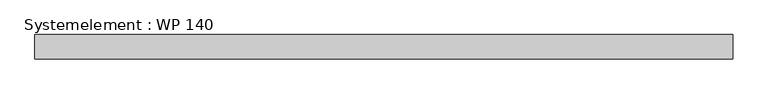
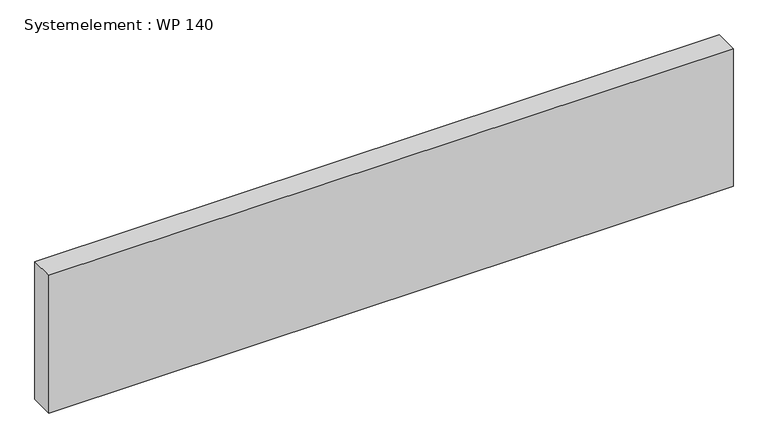
"""IFC4 building model written with IfcOpenShell, lengths in millimetres: plate geometry, Systemelement : WP 140."""

from ifc_helpers import new_model, si_unit, origin, origin_with_axes, place, context, project, spatial, polyline, outline, extrude, source, transform, mapped, element, save


def systemelement_wp_140_07028c10(model_context):
    return source(origin(), model_context, "Body", "SweptSolid", [
        extrude(outline(polyline([(2000.0, -140.0), (-2000.0, -140.0), (-2000.0, 0.0), (2000.0, 0.0), (2000.0, -140.0)])), origin_with_axes(), (0.0, 0.0, 1.0), 851.6147161),
    ])


if __name__ == "__main__":
    model = new_model("IFC4")
    model_context = context("Model", 3, world=origin())
    ifc_project = project(units=[si_unit("LENGTHUNIT", "METRE", prefix="MILLI")], contexts=[model_context])
    site = spatial("IfcSite", under=ifc_project)
    building = spatial("IfcBuilding", under=site)
    placement = place(None, origin())
    systemelement_wp_140_shape = systemelement_wp_140_07028c10(model_context)
    element("IfcPlate", 1, ObjectType="Systemelement : WP 140", at=placement, inside=building, context=model_context, shape_type="MappedRepresentation", body=[
        mapped(systemelement_wp_140_shape, transform((0.0, 0.0, 0.0), x_axis=(1.0, 0.0, 0.0), y_axis=(0.0, 1.0, 0.0), z_axis=(0.0, 0.0, 1.0))),
    ])
    save(model, "model.ifc")
